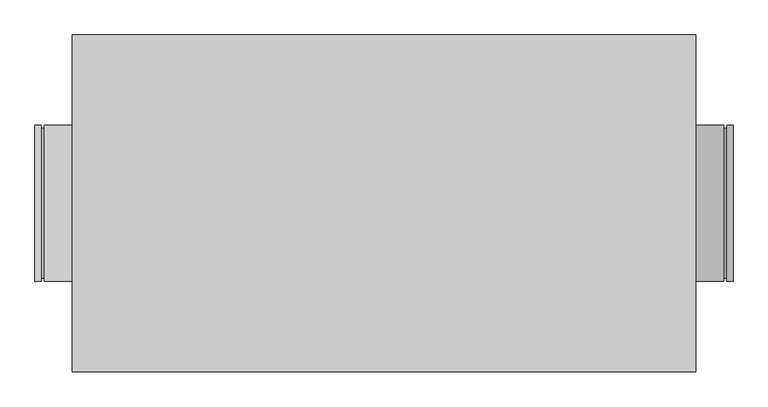
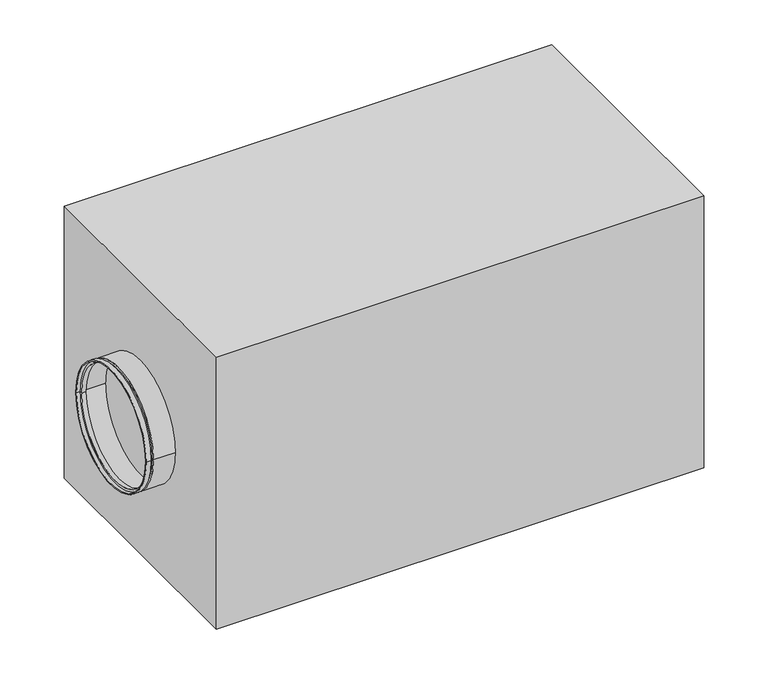
"""IFC4 building model written with IfcOpenShell, lengths in millimetres: proxy geometry."""

from ifc_helpers import new_model, si_unit, frame, origin, origin_with_axes, place, context, project, spatial, polyline, circle_curve, outline, extrude, source, transform, mapped, element, save
from ifc_brep_helpers import plane_surface, cylinder_surface, revolved_surface, advanced_brep


def mechanical_equipment_42eeda85(model_context):
    return source(origin(), model_context, "Body", "SolidModel", [
        advanced_brep(
        [(-550.0, 125.0, 295.0), (-550.0, -125.0, 295.0), (-560.0, -125.0, 295.0), (-560.0, 125.0, 295.0), (-550.0, 120.0, 295.0), (-550.0, -120.0, 295.0), (-545.0, 120.0, 295.0), (-545.0, -120.0, 295.0), (-545.0, 125.0, 295.0), (-545.0, -125.0, 295.0), (-500.0, 125.0, 295.0), (-500.0, -125.0, 295.0), (-500.0, 123.0, 295.0), (-500.0, -123.0, 295.0), (-543.0, 123.0, 295.0), (-543.0, -123.0, 295.0), (-543.0, 118.0, 295.0), (-543.0, -118.0, 295.0), (-552.0, 118.0, 295.0), (-552.0, -118.0, 295.0), (-552.0, 123.0, 295.0), (-552.0, -123.0, 295.0), (-560.0, 123.0, 295.0), (-560.0, -123.0, 295.0)],
        [
            (0, 1, circle_curve(frame((-550.0, 0.0, 295.0), z_axis=(-1.0, 0.0, 0.0), x_axis=(0.0, -1.0000000000000009, 0.0)), 125.0)),
            (1, 2),
            (2, 3, circle_curve(frame((-560.0, 0.0, 295.0), z_axis=(1.0, 0.0, 0.0), x_axis=(0.0, -1.0000000000000009, 0.0)), 125.0)),
            (3, 0),
            (1, 0, circle_curve(frame((-550.0, 0.0, 295.0), z_axis=(-1.0, 0.0, 0.0), x_axis=(0.0, -1.0000000000000009, 0.0)), 125.0)),
            (3, 2, circle_curve(frame((-560.0, 0.0, 295.0), z_axis=(1.0, 0.0, 0.0), x_axis=(0.0, -1.0000000000000009, 0.0)), 125.0)),
            (4, 5, circle_curve(frame((-550.0, 0.0, 295.0), z_axis=(-1.0, 0.0, 0.0), x_axis=(0.0, -1.0000000000000009, 0.0)), 120.0)),
            (5, 1),
            (0, 4),
            (5, 4, circle_curve(frame((-550.0, 0.0, 295.0), z_axis=(-1.0, 0.0, 0.0), x_axis=(0.0, -1.0000000000000009, 0.0)), 120.0)),
            (6, 7, circle_curve(frame((-545.0, 0.0, 295.0), z_axis=(-1.0, 0.0, 0.0), x_axis=(0.0, -1.0000000000000009, 0.0)), 120.0)),
            (7, 5),
            (4, 6),
            (7, 6, circle_curve(frame((-545.0, 0.0, 295.0), z_axis=(-1.0, 0.0, 0.0), x_axis=(0.0, -1.0000000000000009, 0.0)), 120.0)),
            (8, 9, circle_curve(frame((-545.0, 0.0, 295.0), z_axis=(-1.0, 0.0, 0.0), x_axis=(0.0, -1.0000000000000009, 0.0)), 125.0)),
            (9, 7),
            (6, 8),
            (9, 8, circle_curve(frame((-545.0, 0.0, 295.0), z_axis=(-1.0, 0.0, 0.0), x_axis=(0.0, -1.0000000000000009, 0.0)), 125.0)),
            (10, 11, circle_curve(frame((-500.0, 0.0, 295.0), z_axis=(-1.0, 0.0, 0.0), x_axis=(0.0, -1.0000000000000009, 0.0)), 125.0)),
            (11, 9),
            (8, 10),
            (11, 10, circle_curve(frame((-500.0, 0.0, 295.0), z_axis=(-1.0, 0.0, 0.0), x_axis=(0.0, -1.0000000000000009, 0.0)), 125.0)),
            (12, 13, circle_curve(frame((-500.0, 0.0, 295.0), z_axis=(-1.0, 0.0, 0.0), x_axis=(0.0, -1.0000000000000009, 0.0)), 123.0)),
            (13, 11),
            (10, 12),
            (13, 12, circle_curve(frame((-500.0, 0.0, 295.0), z_axis=(-1.0, 0.0, 0.0), x_axis=(0.0, -1.0000000000000009, 0.0)), 123.0)),
            (14, 15, circle_curve(frame((-543.0, 0.0, 295.0), z_axis=(-1.0, 0.0, 0.0), x_axis=(0.0, -1.0000000000000009, 0.0)), 123.0)),
            (15, 13),
            (12, 14),
            (15, 14, circle_curve(frame((-543.0, 0.0, 295.0), z_axis=(-1.0, 0.0, 0.0), x_axis=(0.0, -1.0000000000000009, 0.0)), 123.0)),
            (16, 17, circle_curve(frame((-543.0, 0.0, 295.0), z_axis=(-1.0, 0.0, 0.0), x_axis=(0.0, -1.0000000000000009, 0.0)), 118.0)),
            (17, 15),
            (14, 16),
            (17, 16, circle_curve(frame((-543.0, 0.0, 295.0), z_axis=(-1.0, 0.0, 0.0), x_axis=(0.0, -1.0000000000000009, 0.0)), 118.0)),
            (18, 19, circle_curve(frame((-552.0, 0.0, 295.0), z_axis=(-1.0, 0.0, 0.0), x_axis=(0.0, -1.0000000000000009, 0.0)), 118.0)),
            (19, 17),
            (16, 18),
            (19, 18, circle_curve(frame((-552.0, 0.0, 295.0), z_axis=(-1.0, 0.0, 0.0), x_axis=(0.0, -1.0000000000000009, 0.0)), 118.0)),
            (20, 21, circle_curve(frame((-552.0, 0.0, 295.0), z_axis=(-1.0, 0.0, 0.0), x_axis=(0.0, -1.0000000000000009, 0.0)), 123.0)),
            (21, 19),
            (18, 20),
            (21, 20, circle_curve(frame((-552.0, 0.0, 295.0), z_axis=(-1.0, 0.0, 0.0), x_axis=(0.0, -1.0000000000000009, 0.0)), 123.0)),
            (22, 23, circle_curve(frame((-560.0, 0.0, 295.0), z_axis=(-1.0, 0.0, 0.0), x_axis=(0.0, -1.0000000000000009, 0.0)), 123.0)),
            (23, 21),
            (20, 22),
            (23, 22, circle_curve(frame((-560.0, 0.0, 295.0), z_axis=(-1.0, 0.0, 0.0), x_axis=(0.0, -1.0000000000000009, 0.0)), 123.0)),
            (2, 23),
            (22, 3),
        ],
        [
            cylinder_surface(frame((-2095.0440172, 0.0, 295.0), z_axis=(1.0000000000000004, 0.0, 0.0), x_axis=(0.0, -1.0000000000000009, 0.0)), 125.0),
            plane_surface(frame((-550.0, 0.0, 295.0), z_axis=(1.0, 0.0, 0.0), x_axis=(0.0, -1.0, 0.0))),
            cylinder_surface(frame((-2095.0440172, 0.0, 295.0), z_axis=(1.0000000000000004, 0.0, 0.0), x_axis=(0.0, -1.0000000000000009, 0.0)), 120.0),
            plane_surface(frame((-545.0, 0.0, 295.0), z_axis=(-1.0, 0.0, 0.0), x_axis=(0.0, -1.0, 0.0))),
            plane_surface(frame((-500.0, 0.0, 295.0), z_axis=(1.0, 0.0, 0.0), x_axis=(0.0, -1.0, 0.0))),
            revolved_surface(polyline([(-499.99999999999864, -123.00000000000011, 295.0), (-542.9999999999986, -123.00000000000011, 295.0)]), (-2095.0440172, 0.0, 295.0), (1.0000000000000004, 0.0, 0.0)),
            plane_surface(frame((-543.0, 0.0, 295.0), z_axis=(1.0, 0.0, 0.0), x_axis=(0.0, -1.0, 0.0))),
            revolved_surface(polyline([(-542.9999999999986, -118.0000000000001, 295.0), (-551.9999999999986, -118.0000000000001, 295.0)]), (-2095.0440172, 0.0, 295.0), (1.0000000000000004, 0.0, 0.0)),
            plane_surface(frame((-552.0, 0.0, 295.0), z_axis=(-1.0, 0.0, 0.0), x_axis=(0.0, -1.0, 0.0))),
            revolved_surface(polyline([(-551.9999999999986, -123.00000000000011, 295.0), (-559.9999999999986, -123.00000000000011, 295.0)]), (-2095.0440172, 0.0, 295.0), (1.0000000000000004, 0.0, 0.0)),
            plane_surface(frame((-560.0, 0.0, 295.0), z_axis=(-1.0, 0.0, 0.0), x_axis=(0.0, -1.0, 0.0))),
        ],
        [
            (0, [[1, 2, 3, 4]]),
            (0, [[5, -4, 6, -2]]),
            (1, [[7, 8, -1, 9]]),
            (1, [[10, -9, -5, -8]]),
            (2, [[11, 12, -7, 13]]),
            (2, [[14, -13, -10, -12]]),
            (3, [[15, 16, -11, 17]]),
            (3, [[18, -17, -14, -16]]),
            (0, [[19, 20, -15, 21]]),
            (0, [[22, -21, -18, -20]]),
            (4, [[23, 24, -19, 25]]),
            (4, [[26, -25, -22, -24]]),
            (5, [[27, 28, -23, 29]]),
            (5, [[30, -29, -26, -28]]),
            (6, [[31, 32, -27, 33]]),
            (6, [[34, -33, -30, -32]]),
            (7, [[35, 36, -31, 37]]),
            (7, [[38, -37, -34, -36]]),
            (8, [[39, 40, -35, 41]]),
            (8, [[42, -41, -38, -40]]),
            (9, [[43, 44, -39, 45]]),
            (9, [[46, -45, -42, -44]]),
            (10, [[-3, 47, -43, 48]]),
            (10, [[-6, -48, -46, -47]]),
        ],
    ),
        advanced_brep(
        [(550.0, -125.0, 295.0), (550.0, 125.0, 295.0), (560.0, 125.0, 295.0), (560.0, -125.0, 295.0), (550.0, -120.0, 295.0), (550.0, 120.0, 295.0), (545.0, -120.0, 295.0), (545.0, 120.0, 295.0), (545.0, -125.0, 295.0), (545.0, 125.0, 295.0), (500.0, -125.0, 295.0), (500.0, 125.0, 295.0), (500.0, -123.0, 295.0), (500.0, 123.0, 295.0), (543.0, -123.0, 295.0), (543.0, 123.0, 295.0), (543.0, -118.0, 295.0), (543.0, 118.0, 295.0), (552.0, -118.0, 295.0), (552.0, 118.0, 295.0), (552.0, -123.0, 295.0), (552.0, 123.0, 295.0), (560.0, -123.0, 295.0), (560.0, 123.0, 295.0)],
        [
            (0, 1, circle_curve(frame((550.0, 0.0, 295.0), z_axis=(1.0, 0.0, 0.0), x_axis=(0.0, 1.0, 0.0)), 125.0)),
            (1, 2),
            (2, 3, circle_curve(frame((560.0, 0.0, 295.0), z_axis=(-1.0, 0.0, 0.0), x_axis=(0.0, 1.0, 0.0)), 125.0)),
            (3, 0),
            (1, 0, circle_curve(frame((550.0, 0.0, 295.0), z_axis=(1.0, 0.0, 0.0), x_axis=(0.0, 1.0, 0.0)), 125.0)),
            (3, 2, circle_curve(frame((560.0, 0.0, 295.0), z_axis=(-1.0, 0.0, 0.0), x_axis=(0.0, 1.0, 0.0)), 125.0)),
            (4, 5, circle_curve(frame((550.0, 0.0, 295.0), z_axis=(1.0, 0.0, 0.0), x_axis=(0.0, 1.0, 0.0)), 120.0)),
            (5, 1),
            (0, 4),
            (5, 4, circle_curve(frame((550.0, 0.0, 295.0), z_axis=(1.0, 0.0, 0.0), x_axis=(0.0, 1.0, 0.0)), 120.0)),
            (6, 7, circle_curve(frame((545.0, 0.0, 295.0), z_axis=(1.0, 0.0, 0.0), x_axis=(0.0, 1.0, 0.0)), 120.0)),
            (7, 5),
            (4, 6),
            (7, 6, circle_curve(frame((545.0, 0.0, 295.0), z_axis=(1.0, 0.0, 0.0), x_axis=(0.0, 1.0, 0.0)), 120.0)),
            (8, 9, circle_curve(frame((545.0, 0.0, 295.0), z_axis=(1.0, 0.0, 0.0), x_axis=(0.0, 1.0, 0.0)), 125.0)),
            (9, 7),
            (6, 8),
            (9, 8, circle_curve(frame((545.0, 0.0, 295.0), z_axis=(1.0, 0.0, 0.0), x_axis=(0.0, 1.0, 0.0)), 125.0)),
            (10, 11, circle_curve(frame((500.0, 0.0, 295.0), z_axis=(1.0, 0.0, 0.0), x_axis=(0.0, 1.0, 0.0)), 125.0)),
            (11, 9),
            (8, 10),
            (11, 10, circle_curve(frame((500.0, 0.0, 295.0), z_axis=(1.0, 0.0, 0.0), x_axis=(0.0, 1.0, 0.0)), 125.0)),
            (12, 13, circle_curve(frame((500.0, 0.0, 295.0), z_axis=(1.0, 0.0, 0.0), x_axis=(0.0, 1.0, 0.0)), 123.0)),
            (13, 11),
            (10, 12),
            (13, 12, circle_curve(frame((500.0, 0.0, 295.0), z_axis=(1.0, 0.0, 0.0), x_axis=(0.0, 1.0, 0.0)), 123.0)),
            (14, 15, circle_curve(frame((543.0, 0.0, 295.0), z_axis=(1.0, 0.0, 0.0), x_axis=(0.0, 1.0, 0.0)), 123.0)),
            (15, 13),
            (12, 14),
            (15, 14, circle_curve(frame((543.0, 0.0, 295.0), z_axis=(1.0, 0.0, 0.0), x_axis=(0.0, 1.0, 0.0)), 123.0)),
            (16, 17, circle_curve(frame((543.0, 0.0, 295.0), z_axis=(1.0, 0.0, 0.0), x_axis=(0.0, 1.0, 0.0)), 118.0)),
            (17, 15),
            (14, 16),
            (17, 16, circle_curve(frame((543.0, 0.0, 295.0), z_axis=(1.0, 0.0, 0.0), x_axis=(0.0, 1.0, 0.0)), 118.0)),
            (18, 19, circle_curve(frame((552.0, 0.0, 295.0), z_axis=(1.0, 0.0, 0.0), x_axis=(0.0, 1.0, 0.0)), 118.0)),
            (19, 17),
            (16, 18),
            (19, 18, circle_curve(frame((552.0, 0.0, 295.0), z_axis=(1.0, 0.0, 0.0), x_axis=(0.0, 1.0, 0.0)), 118.0)),
            (20, 21, circle_curve(frame((552.0, 0.0, 295.0), z_axis=(1.0, 0.0, 0.0), x_axis=(0.0, 1.0, 0.0)), 123.0)),
            (21, 19),
            (18, 20),
            (21, 20, circle_curve(frame((552.0, 0.0, 295.0), z_axis=(1.0, 0.0, 0.0), x_axis=(0.0, 1.0, 0.0)), 123.0)),
            (22, 23, circle_curve(frame((560.0, 0.0, 295.0), z_axis=(1.0, 0.0, 0.0), x_axis=(0.0, 1.0, 0.0)), 123.0)),
            (23, 21),
            (20, 22),
            (23, 22, circle_curve(frame((560.0, 0.0, 295.0), z_axis=(1.0, 0.0, 0.0), x_axis=(0.0, 1.0, 0.0)), 123.0)),
            (2, 23),
            (22, 3),
        ],
        [
            cylinder_surface(frame((2095.0440172, 0.0, 295.0), z_axis=(-1.0, 0.0, 0.0), x_axis=(0.0, 1.0, 0.0)), 125.0),
            plane_surface(frame((550.0, 0.0, 295.0), z_axis=(-1.0, 0.0, 0.0), x_axis=(0.0, 1.0, 0.0))),
            cylinder_surface(frame((2095.0440172, 0.0, 295.0), z_axis=(-1.0, 0.0, 0.0), x_axis=(0.0, 1.0, 0.0)), 120.0),
            plane_surface(frame((545.0, 0.0, 295.0), z_axis=(1.0, 0.0, 0.0), x_axis=(0.0, 1.0, 0.0))),
            plane_surface(frame((500.0, 0.0, 295.0), z_axis=(-1.0, 0.0, 0.0), x_axis=(0.0, 1.0, 0.0))),
            revolved_surface(polyline([(500.0, 123.0, 295.0), (543.0, 123.0, 295.0)]), (2095.0440172, 0.0, 295.0), (-1.0, 0.0, 0.0)),
            plane_surface(frame((543.0, 0.0, 295.0), z_axis=(-1.0, 0.0, 0.0), x_axis=(0.0, 1.0, 0.0))),
            revolved_surface(polyline([(543.0, 118.0, 295.0), (552.0, 118.0, 295.0)]), (2095.0440172, 0.0, 295.0), (-1.0, 0.0, 0.0)),
            plane_surface(frame((552.0, 0.0, 295.0), z_axis=(1.0, 0.0, 0.0), x_axis=(0.0, 1.0, 0.0))),
            revolved_surface(polyline([(552.0, 123.0, 295.0), (560.0, 123.0, 295.0)]), (2095.0440172, 0.0, 295.0), (-1.0, 0.0, 0.0)),
            plane_surface(frame((560.0, 0.0, 295.0), z_axis=(1.0, 0.0, 0.0), x_axis=(0.0, 1.0, 0.0))),
        ],
        [
            (0, [[1, 2, 3, 4]]),
            (0, [[5, -4, 6, -2]]),
            (1, [[7, 8, -1, 9]]),
            (1, [[10, -9, -5, -8]]),
            (2, [[11, 12, -7, 13]]),
            (2, [[14, -13, -10, -12]]),
            (3, [[15, 16, -11, 17]]),
            (3, [[18, -17, -14, -16]]),
            (0, [[19, 20, -15, 21]]),
            (0, [[22, -21, -18, -20]]),
            (4, [[23, 24, -19, 25]]),
            (4, [[26, -25, -22, -24]]),
            (5, [[27, 28, -23, 29]]),
            (5, [[30, -29, -26, -28]]),
            (6, [[31, 32, -27, 33]]),
            (6, [[34, -33, -30, -32]]),
            (7, [[35, 36, -31, 37]]),
            (7, [[38, -37, -34, -36]]),
            (8, [[39, 40, -35, 41]]),
            (8, [[42, -41, -38, -40]]),
            (9, [[43, 44, -39, 45]]),
            (9, [[46, -45, -42, -44]]),
            (10, [[-3, 47, -43, 48]]),
            (10, [[-6, -48, -46, -47]]),
        ],
    ),
        extrude(outline(polyline([(-500.0, -270.0), (-500.0, 270.0), (500.0, 270.0), (500.0, -270.0), (-500.0, -270.0)])), origin_with_axes(), (0.0, 0.0, 1.0), 590.0),
    ])


if __name__ == "__main__":
    model = new_model("IFC4")
    model_context = context("Model", 3, world=origin())
    ifc_project = project(units=[si_unit("LENGTHUNIT", "METRE", prefix="MILLI")], contexts=[model_context])
    site = spatial("IfcSite", under=ifc_project)
    building = spatial("IfcBuilding", under=site)
    placement = place(None, origin())
    mechanical_equipment_shape = mechanical_equipment_42eeda85(model_context)
    element("IfcBuildingElementProxy", 1, Name="Mechanical Equipment", at=placement, inside=building, context=model_context, shape_type="MappedRepresentation", body=[
        mapped(mechanical_equipment_shape, transform((0.0, 0.0, 0.0), x_axis=(1.0, 0.0, 0.0), y_axis=(0.0, 1.0, 0.0), z_axis=(0.0, 0.0, 1.0))),
    ])
    save(model, "model.ifc")
